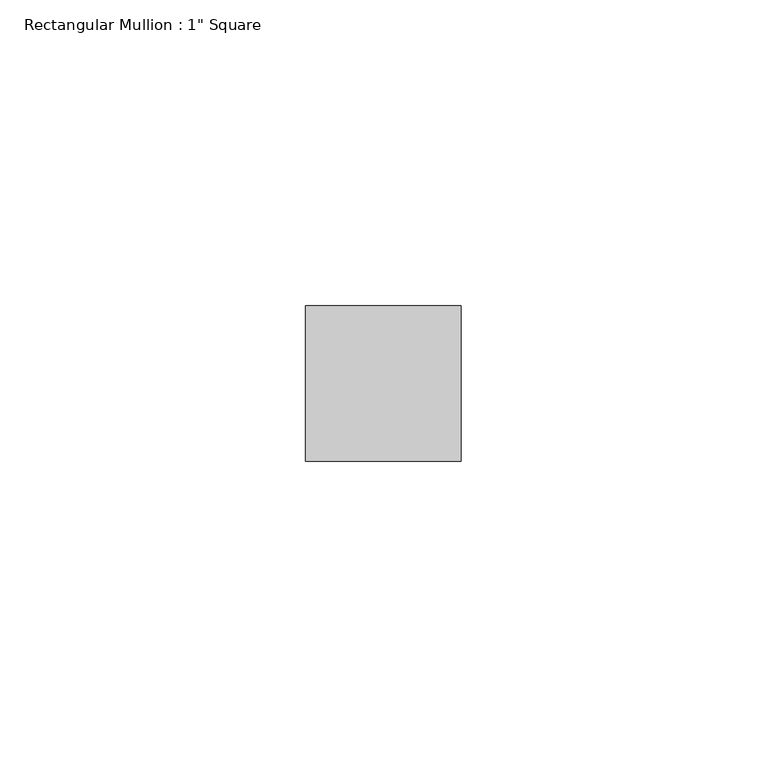
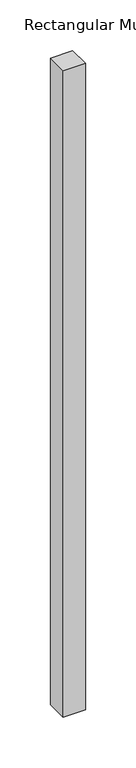
"""IFC4 building model written with IfcOpenShell, lengths in millimetres: member geometry."""

from ifc_helpers import new_model, si_unit, frame, origin, place, context, project, spatial, polyline, outline, extrude, source, transform, mapped, element, save


def member_846fd8c2(model_context):
    return source(origin(), model_context, "Body", "SweptSolid", [
        extrude(outline(polyline([(0.0, 12.7), (0.0, -12.7), (-25.4, -12.7), (-25.4, 12.7), (0.0, 12.7)])), frame((0.0, 0.0, -779.4489857), z_axis=(0.0, 0.0, 1.0), x_axis=(1.0, 0.0, 0.0)), (0.0, 0.0, 1.0), 779.4489857),
    ])


if __name__ == "__main__":
    model = new_model("IFC4")
    model_context = context("Model", 3, world=origin())
    ifc_project = project(units=[si_unit("LENGTHUNIT", "METRE", prefix="MILLI")], contexts=[model_context])
    site = spatial("IfcSite", under=ifc_project)
    building = spatial("IfcBuilding", under=site)
    placement = place(None, origin())
    member_shape = member_846fd8c2(model_context)
    element("IfcMember", 1, ObjectType="Rectangular Mullion : 1\" Square", at=placement, inside=building, context=model_context, shape_type="MappedRepresentation", body=[
        mapped(member_shape, transform((0.0, 0.0, 0.0), x_axis=(1.0, 0.0, 0.0), y_axis=(0.0, 1.0, 0.0), z_axis=(0.0, 0.0, 1.0))),
    ])
    save(model, "model.ifc")
